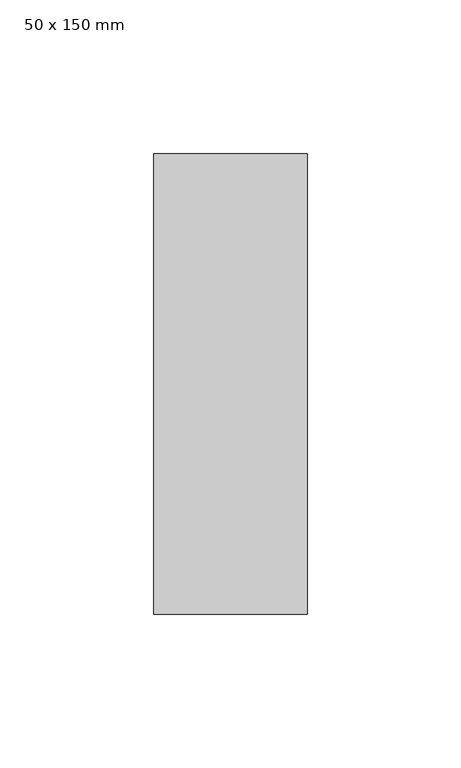
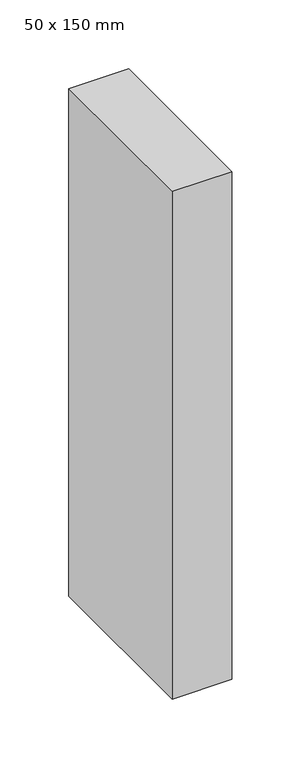
"""IFC4 building model written with IfcOpenShell, lengths in millimetres: member geometry, 50 x 150 mm."""

from ifc_helpers import new_model, si_unit, frame, origin, place, context, project, spatial, polyline, outline, extrude, source, transform, mapped, element, save


def member_50_x_150_mm_567eccab(model_context):
    return source(origin(), model_context, "Body", "SweptSolid", [
        extrude(outline(polyline([(25.0, 75.0), (25.0, -75.0), (-25.0, -75.0), (-25.0, 75.0), (25.0, 75.0)])), frame((0.0, 0.0, -450.0), z_axis=(0.0, 0.0, 1.0), x_axis=(1.0, 0.0, 0.0)), (0.0, 0.0, 1.0), 450.0),
    ])


if __name__ == "__main__":
    model = new_model("IFC4")
    model_context = context("Model", 3, world=origin())
    ifc_project = project(units=[si_unit("LENGTHUNIT", "METRE", prefix="MILLI")], contexts=[model_context])
    site = spatial("IfcSite", under=ifc_project)
    building = spatial("IfcBuilding", under=site)
    placement = place(None, origin())
    member_50_x_150_mm_shape = member_50_x_150_mm_567eccab(model_context)
    element("IfcMember", 1, ObjectType="50 x 150 mm", at=placement, inside=building, context=model_context, shape_type="MappedRepresentation", body=[
        mapped(member_50_x_150_mm_shape, transform((0.0, 0.0, 0.0), x_axis=(1.0, 0.0, 0.0), y_axis=(0.0, 1.0, 0.0), z_axis=(0.0, 0.0, 1.0))),
    ])
    save(model, "model.ifc")
